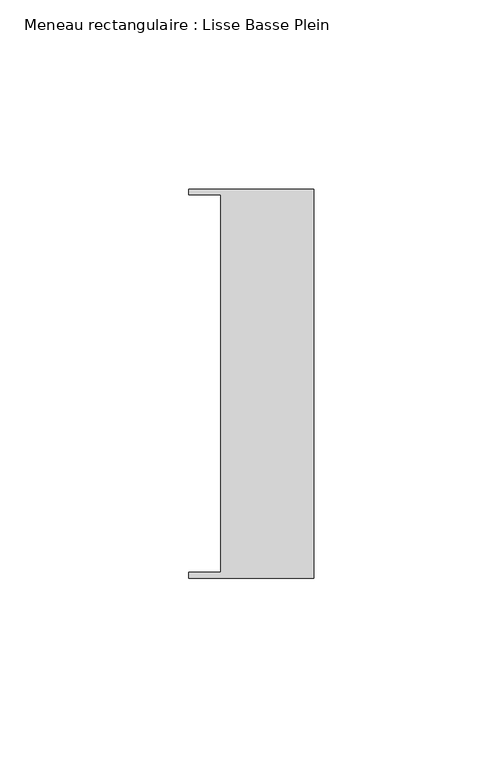
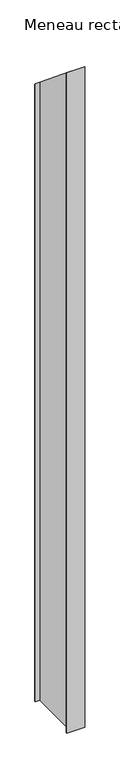
"""IFC4 building model written with IfcOpenShell, lengths in millimetres: member geometry, Meneau rectangulaire : Lisse Basse Plein."""

from ifc_helpers import new_model, si_unit, origin, place, context, project, spatial, faceted_brep, source, transform, mapped, element, save


def meneau_rectangulaire_lisse_basse_plein_5725c13d(model_context):
    return source(origin(), model_context, "Body", "Brep", [
        faceted_brep([(0.0, -51.5026203, -1254.2000003), (-33.0710396, -51.5026203, -1254.2000003), (-33.0710396, -49.9505686, -1254.2000003), (-24.7130865, -49.9505686, -1254.2000003), (-24.7130865, 49.9505686, -1254.2000003), (-33.0710396, 49.9505686, -1254.2000003), (-33.0710396, 51.5026203, -1254.2000003), (0.0, 51.5026203, -1254.2000003), (0.0, 51.5026203, -42.4554839), (0.0, -51.5026203, 42.4554839), (-33.0710396, 51.5026203, -42.4554839), (-33.0710396, 49.9505686, -41.1760712), (-24.7130865, 49.9505686, -41.1760712), (-24.7130865, -49.9505686, 41.1760712), (-33.0710396, -49.9505686, 41.1760712), (-33.0710396, -51.5026203, 42.4554839)], [[[0, 1, 2, 3, 4, 5, 6, 7]], [[8, 9, 0, 7]], [[10, 8, 7, 6]], [[11, 10, 6, 5]], [[12, 11, 5, 4]], [[13, 12, 4, 3]], [[14, 13, 3, 2]], [[15, 14, 2, 1]], [[9, 15, 1, 0]], [[9, 8, 10, 11, 12, 13, 14, 15]]]),
    ])


if __name__ == "__main__":
    model = new_model("IFC4")
    model_context = context("Model", 3, world=origin())
    ifc_project = project(units=[si_unit("LENGTHUNIT", "METRE", prefix="MILLI")], contexts=[model_context])
    site = spatial("IfcSite", under=ifc_project)
    building = spatial("IfcBuilding", under=site)
    placement = place(None, origin())
    meneau_rectangulaire_lisse_basse_plein_shape = meneau_rectangulaire_lisse_basse_plein_5725c13d(model_context)
    element("IfcMember", 1, ObjectType="Meneau rectangulaire : Lisse Basse Plein", at=placement, inside=building, context=model_context, shape_type="MappedRepresentation", body=[
        mapped(meneau_rectangulaire_lisse_basse_plein_shape, transform((0.0, 0.0, 0.0), x_axis=(1.0, 0.0, 0.0), y_axis=(0.0, 1.0, 0.0), z_axis=(0.0, 0.0, 1.0))),
    ])
    save(model, "model.ifc")
